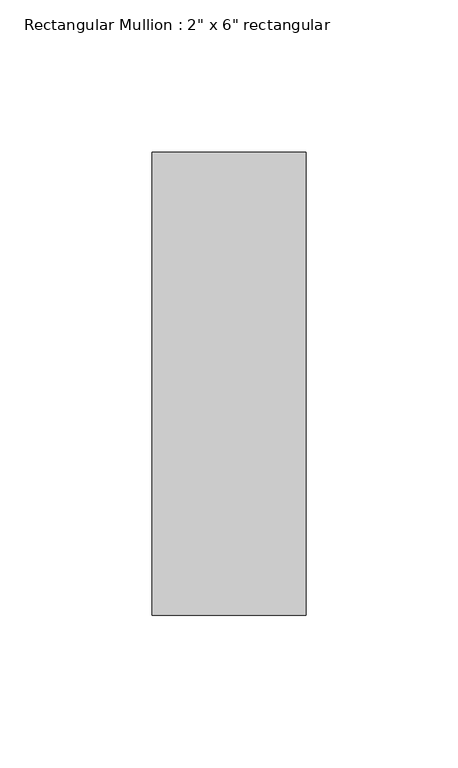
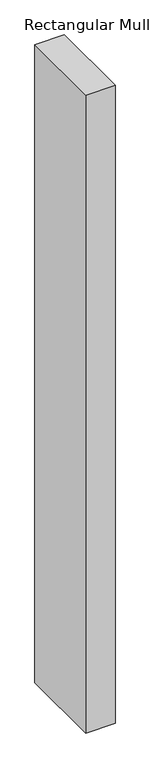
"""IFC4 building model written with IfcOpenShell, lengths in millimetres: member geometry."""

from ifc_helpers import new_model, si_unit, frame, origin, place, context, project, spatial, polyline, outline, extrude, source, transform, mapped, element, save


def member_0c33f8f3(model_context):
    return source(origin(), model_context, "Body", "SweptSolid", [
        extrude(outline(polyline([(25.4, 76.2), (25.4, -76.2), (-25.4, -76.2), (-25.4, 76.2), (25.4, 76.2)])), frame((0.0, 0.0, -1168.4), z_axis=(0.0, 0.0, 1.0), x_axis=(1.0, 0.0, 0.0)), (0.0, 0.0, 1.0), 1168.4),
    ])


if __name__ == "__main__":
    model = new_model("IFC4")
    model_context = context("Model", 3, world=origin())
    ifc_project = project(units=[si_unit("LENGTHUNIT", "METRE", prefix="MILLI")], contexts=[model_context])
    site = spatial("IfcSite", under=ifc_project)
    building = spatial("IfcBuilding", under=site)
    placement = place(None, origin())
    member_shape = member_0c33f8f3(model_context)
    element("IfcMember", 1, ObjectType="Rectangular Mullion : 2\" x 6\" rectangular", at=placement, inside=building, context=model_context, shape_type="MappedRepresentation", body=[
        mapped(member_shape, transform((0.0, 0.0, 0.0), x_axis=(1.0, 0.0, 0.0), y_axis=(0.0, 1.0, 0.0), z_axis=(0.0, 0.0, 1.0))),
    ])
    save(model, "model.ifc")
